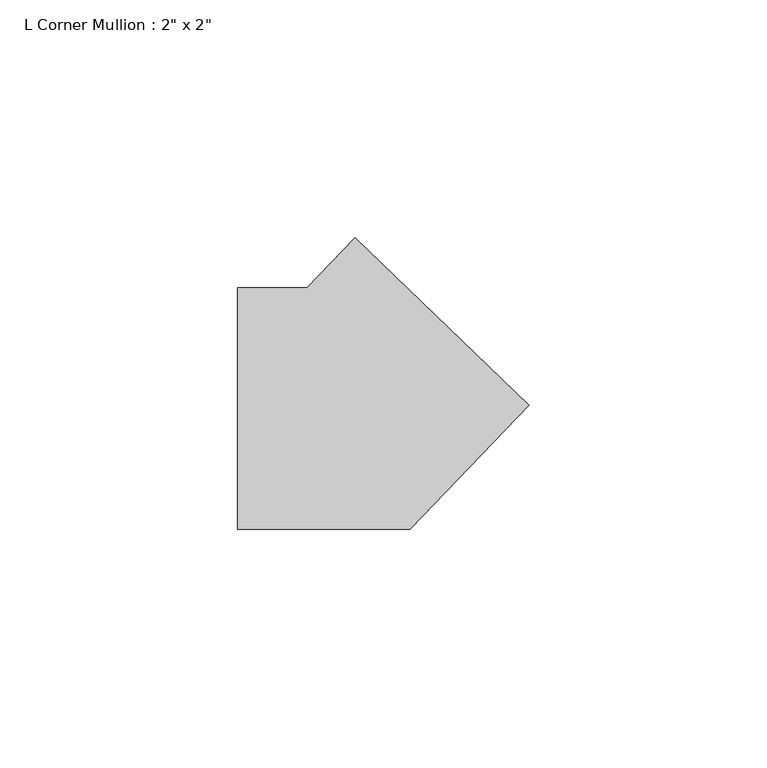
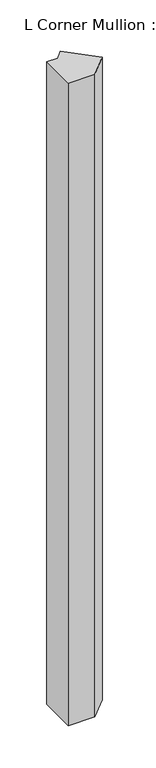
"""IFC4 building model written with IfcOpenShell, lengths in millimetres: member geometry."""

import ifcopenshell
import ifcopenshell.guid

model = None  # the IFC model being written
_history = None  # IfcOwnerHistory: only IFC2X3 demands one
_inside = {}  # id of a spatial element -> (the spatial element, [elements in it])
_under = {}  # id of a project, library or spatial element -> (it, [spatial elements below it])
_declared = {}  # id of a project -> (the project, [libraries it declares])
_typed = {}  # id of a type object -> (the type object, [elements of that type])
_made_of = {}  # id of a material, layer set ... -> (it, [elements and type objects made of it])


def new_model(schema):
    """Start an empty IFC model of exactly this schema.

    Asked for "IFC4X3", IfcOpenShell would pick the latest addendum, in which some entities
    have other attributes; the version numbers below select the first issue.
    IFC2X3 requires an IfcOwnerHistory on every rooted entity: one is made here for all.
    """
    global model, _history
    if schema == "IFC4X3":
        model = ifcopenshell.file(schema_version=(4, 3, 0, 0))
    else:
        model = ifcopenshell.file(schema=schema)
    _inside.clear()
    _under.clear()
    _declared.clear()
    _typed.clear()
    _made_of.clear()
    _history = None
    if model.schema == "IFC2X3":
        org = make("IfcOrganization", Name="unknown")
        user = make(
            "IfcPersonAndOrganization",
            ThePerson=make("IfcPerson", FamilyName="unknown"),
            TheOrganization=org,
        )
        app = make(
            "IfcApplication",
            ApplicationDeveloper=org,
            Version="unknown",
            ApplicationFullName="unknown",
            ApplicationIdentifier="unknown",
        )
        _history = make(
            "IfcOwnerHistory",
            OwningUser=user,
            OwningApplication=app,
            ChangeAction="ADDED",
            CreationDate=0,
        )
    return model


def make(cls, **values):
    """One entity of the class cls with the attributes given. An attribute that is None is left unset."""
    return model.create_entity(
        cls, **{name: value for name, value in values.items() if value is not None}
    )


def rooted(cls, **values):
    """An entity with a GlobalId (a new one), such as an element, a storey or a relation."""
    return make(cls, GlobalId=ifcopenshell.guid.new(), OwnerHistory=_history, **values)


def si_unit(unit_type, name, prefix=None):
    """IfcSIUnit, for example si_unit("LENGTHUNIT", "METRE", prefix="MILLI")."""
    return make("IfcSIUnit", UnitType=unit_type, Prefix=prefix, Name=name)


def assignment(units):
    """IfcUnitAssignment: the units of a project."""
    return None if units is None else make("IfcUnitAssignment", Units=units)


def point(xyz):
    """IfcCartesianPoint."""
    return None if xyz is None else make("IfcCartesianPoint", Coordinates=xyz)


def direction(xyz):
    """IfcDirection."""
    return None if xyz is None else make("IfcDirection", DirectionRatios=xyz)


def frame(location, z_axis=None, x_axis=None):
    """IfcAxis2Placement3D, a coordinate frame: its origin and axes. An axis left out is left unset."""
    return make(
        "IfcAxis2Placement3D",
        Location=point(location),
        Axis=direction(z_axis),
        RefDirection=direction(x_axis),
    )


def origin():
    """The frame at (0, 0, 0) with its axes left unset."""
    return frame((0.0, 0.0, 0.0))


def place(relative_to, where):
    """IfcLocalPlacement: puts the frame where relative to a parent placement (None: the world)."""
    return make(
        "IfcLocalPlacement", PlacementRelTo=relative_to, RelativePlacement=where
    )


def context(
    kind, dimensions, precision=None, world=None, true_north=None, identifier=None
):
    """IfcGeometricRepresentationContext, for example the 3D "Model" context."""
    return make(
        "IfcGeometricRepresentationContext",
        ContextIdentifier=identifier,
        ContextType=kind,
        CoordinateSpaceDimension=dimensions,
        Precision=precision,
        WorldCoordinateSystem=world,
        TrueNorth=true_north,
    )


def project(units=None, contexts=None):
    """IfcProject with its units and contexts."""
    return rooted(
        "IfcProject",
        Name="project",
        RepresentationContexts=contexts,
        UnitsInContext=assignment(units),
    )


def spatial(cls, under=None, at=None, **own):
    """A site, building, storey or space (cls), placed at a placement, below another one or the project."""
    s = rooted(cls, ObjectPlacement=at, **own)
    if under is not None:
        _under.setdefault(under.id(), (under, []))[1].append(s)
    return s


def polyline(points):
    """IfcPolyline through the points."""
    return make("IfcPolyline", Points=[point(p) for p in points])


def outline(outer, holes=None, kind="AREA"):
    """IfcArbitraryClosedProfileDef: a profile drawn as a closed curve; with holes, ...WithVoids."""
    if holes is None:
        return make("IfcArbitraryClosedProfileDef", ProfileType=kind, OuterCurve=outer)
    return make(
        "IfcArbitraryProfileDefWithVoids",
        ProfileType=kind,
        OuterCurve=outer,
        InnerCurves=holes,
    )


def extrude(swept, where, along, depth):
    """IfcExtrudedAreaSolid: the profile swept, set in the frame where, extruded along a direction by depth."""
    return make(
        "IfcExtrudedAreaSolid",
        SweptArea=swept,
        Position=where,
        ExtrudedDirection=direction(along),
        Depth=depth,
    )


def shape(context_of_items, identifier, shape_type, items):
    """IfcShapeRepresentation: the items that make up one representation, for example the "Body"."""
    return make(
        "IfcShapeRepresentation",
        ContextOfItems=context_of_items,
        RepresentationIdentifier=identifier,
        RepresentationType=shape_type,
        Items=items,
    )


def source(mapping_origin, context_of_items, identifier, shape_type, items):
    """IfcRepresentationMap: a shape defined once, which mapped items show again and again."""
    return make(
        "IfcRepresentationMap",
        MappingOrigin=mapping_origin,
        MappedRepresentation=shape(context_of_items, identifier, shape_type, items),
    )


def transform(
    local_origin,
    x_axis=None,
    y_axis=None,
    z_axis=None,
    scale=None,
    scale2=None,
    scale3=None,
    uniform=True,
):
    """IfcCartesianTransformationOperator3D, or its non-uniform kind. x_axis, y_axis, z_axis: its Axis1, 2, 3."""
    if uniform:
        return make(
            "IfcCartesianTransformationOperator3D",
            Axis1=direction(x_axis),
            Axis2=direction(y_axis),
            LocalOrigin=point(local_origin),
            Scale=scale,
            Axis3=direction(z_axis),
        )
    return make(
        "IfcCartesianTransformationOperator3DnonUniform",
        Axis1=direction(x_axis),
        Axis2=direction(y_axis),
        LocalOrigin=point(local_origin),
        Scale=scale,
        Axis3=direction(z_axis),
        Scale2=scale2,
        Scale3=scale3,
    )


def mapped(mapping_source, mapping_target):
    """IfcMappedItem: shows the shape of a source again, moved by a transform."""
    return make(
        "IfcMappedItem", MappingSource=mapping_source, MappingTarget=mapping_target
    )


def made_of(thing, what):
    """Note that an element or type object is made of a material, layer set ...; save() writes the relation."""
    if what is not None:
        _made_of.setdefault(what.id(), (what, []))[1].append(thing)
    return thing


def element(
    cls,
    number,
    at=None,
    inside=None,
    cuts=None,
    type_object=None,
    material=None,
    context=None,
    identifier="Body",
    shape_type=None,
    held_by="IfcProductDefinitionShape",
    body=None,
    shapes=None,
    **own,
):
    """One element of the class cls, such as IfcWall. Its Tag is "e" and its number.

    at: its placement. inside: the storey or other place that contains it. cuts: it is an
    opening in that element (IfcRelVoidsElement). A single representation is given by context,
    identifier, shape_type and body (its items); several are given by shapes. held_by: the class
    of the entity that holds the representations. save() writes the other relations.
    """
    e = rooted(cls, Tag="e%d" % number, ObjectPlacement=at, **own)
    if body is not None:
        shapes = [shape(context, identifier, shape_type, body)]
    if shapes is not None:
        e.Representation = make(held_by, Representations=shapes)
    if inside is not None:
        _inside.setdefault(inside.id(), (inside, []))[1].append(e)
    if cuts is not None:
        rooted(
            "IfcRelVoidsElement", RelatingBuildingElement=cuts, RelatedOpeningElement=e
        )
    if type_object is not None:
        _typed.setdefault(type_object.id(), (type_object, []))[1].append(e)
    return made_of(e, material)


def aggregate(whole, parts):
    """IfcRelAggregates: a whole, such as a stair, and the parts it consists of."""
    return rooted("IfcRelAggregates", RelatingObject=whole, RelatedObjects=parts)


def save(model, path):
    """Write the relations noted so far, then the file.

    IfcRelAggregates (storeys below a building ...), IfcRelContainedInSpatialStructure (elements
    in a storey), IfcRelDefinesByType, IfcRelAssociatesMaterial and IfcRelDeclares: one each for
    every whole, place, type object, material and project.
    """
    for whole, parts in _under.values():
        aggregate(whole, parts)
    for where, things in _inside.values():
        rooted(
            "IfcRelContainedInSpatialStructure",
            RelatedElements=things,
            RelatingStructure=where,
        )
    for kind, things in _typed.values():
        rooted("IfcRelDefinesByType", RelatedObjects=things, RelatingType=kind)
    for what, things in _made_of.values():
        rooted("IfcRelAssociatesMaterial", RelatedObjects=things, RelatingMaterial=what)
    for by, libraries in _declared.values():
        rooted("IfcRelDeclares", RelatingContext=by, RelatedDefinitions=libraries)
    model.write(path)


def member_e9f14ca6(model_context):
    return source(origin(), model_context, "Body", "SweptSolid", [
        extrude(outline(polyline([(35.913317, 0.7440862), (10.8305964, -25.4), (-25.4, -25.4), (-25.4, 25.4), (-10.8305964, 25.4), (-0.7440862, 35.913317), (35.913317, 0.7440862)])), frame((0.0, 0.0, -925.8354964), z_axis=(0.0, 0.0, 1.0), x_axis=(1.0, 0.0, 0.0)), (0.0, 0.0, 1.0), 925.8354964),
    ])


if __name__ == "__main__":
    model = new_model("IFC4")
    model_context = context("Model", 3, world=origin())
    ifc_project = project(units=[si_unit("LENGTHUNIT", "METRE", prefix="MILLI")], contexts=[model_context])
    site = spatial("IfcSite", under=ifc_project)
    building = spatial("IfcBuilding", under=site)
    placement = place(None, origin())
    member_shape = member_e9f14ca6(model_context)
    element("IfcMember", 1, ObjectType="L Corner Mullion : 2\" x 2\"", at=placement, inside=building, context=model_context, shape_type="MappedRepresentation", body=[
        mapped(member_shape, transform((0.0, 0.0, 0.0), x_axis=(1.0, 0.0, 0.0), y_axis=(0.0, 1.0, 0.0), z_axis=(0.0, 0.0, 1.0))),
    ])
    save(model, "model.ifc")
